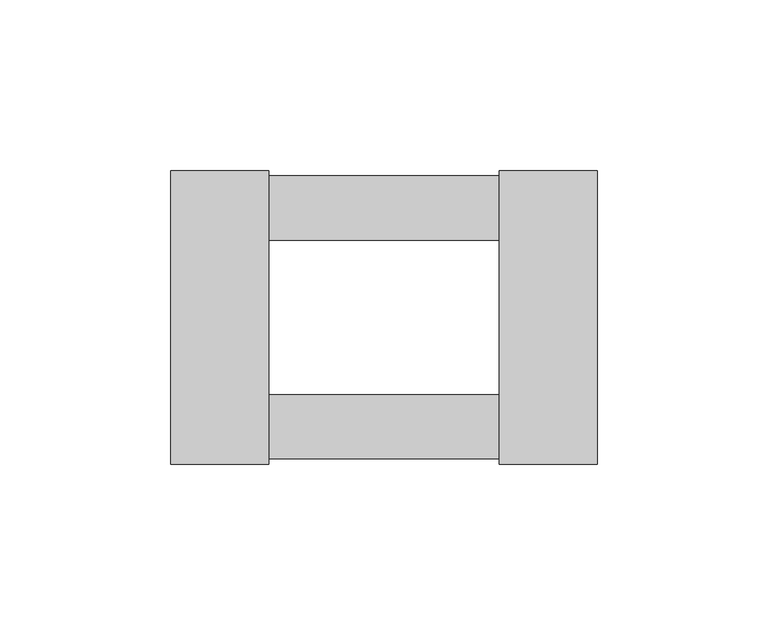
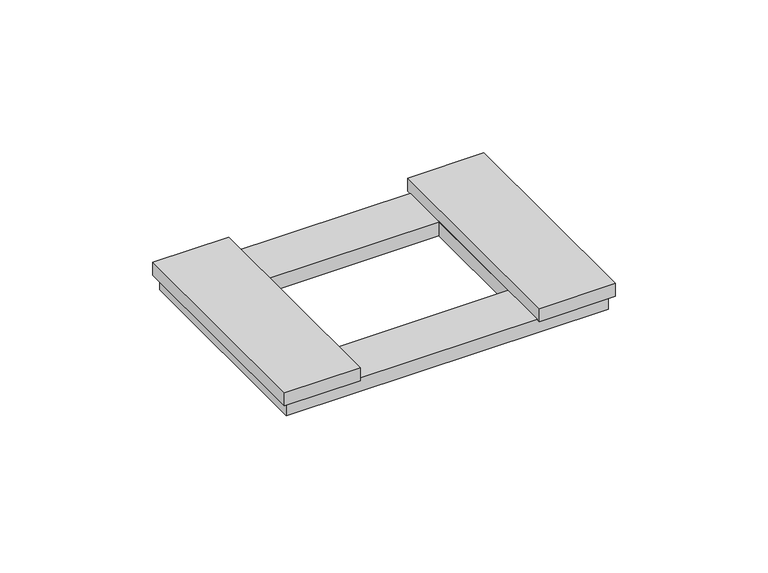
"""IFC4 building model written with IfcOpenShell, lengths in millimetres: proxy geometry."""

from ifc_helpers import new_model, si_unit, frame, origin, origin_with_axes, place, context, project, spatial, polyline, outline, extrude, source, transform, mapped, element, save


def electrical_fixtures_39df1cc1(model_context):
    return source(origin(), model_context, "Body", "SweptSolid", [
        extrude(outline(polyline([(60.8218172, 41.5), (60.8218172, -41.5), (-60.8218172, -41.5), (-60.8218172, 41.5), (60.8218172, 41.5)]), holes=[polyline([(33.75, 22.5), (-33.75, 22.5), (-33.75, -22.5), (33.75, -22.5), (33.75, 22.5)])]), origin_with_axes(), (0.0, 0.0, 1.0), 5.5),
        extrude(outline(polyline([(33.75, -43.0), (33.75, 43.0), (62.55, 43.0), (62.55, -43.0), (33.75, -43.0)])), frame((0.0, 0.0, 5.5), z_axis=(0.0, 0.0, 1.0), x_axis=(1.0, 0.0, 0.0)), (0.0, 0.0, 1.0), 5.2),
        extrude(outline(polyline([(-62.55, -43.0), (-62.55, 43.0), (-33.75, 43.0), (-33.75, -43.0), (-62.55, -43.0)])), frame((0.0, 0.0, 5.5), z_axis=(0.0, 0.0, 1.0), x_axis=(1.0, 0.0, 0.0)), (0.0, 0.0, 1.0), 5.2),
    ])


if __name__ == "__main__":
    model = new_model("IFC4")
    model_context = context("Model", 3, world=origin())
    ifc_project = project(units=[si_unit("LENGTHUNIT", "METRE", prefix="MILLI")], contexts=[model_context])
    site = spatial("IfcSite", under=ifc_project)
    building = spatial("IfcBuilding", under=site)
    placement = place(None, origin())
    electrical_fixtures_shape = electrical_fixtures_39df1cc1(model_context)
    element("IfcBuildingElementProxy", 1, Name="Electrical Fixtures", at=placement, inside=building, context=model_context, shape_type="MappedRepresentation", body=[
        mapped(electrical_fixtures_shape, transform((0.0, 0.0, 0.0), x_axis=(1.0, 0.0, 0.0), y_axis=(0.0, 1.0, 0.0), z_axis=(0.0, 0.0, 1.0))),
    ])
    save(model, "model.ifc")
